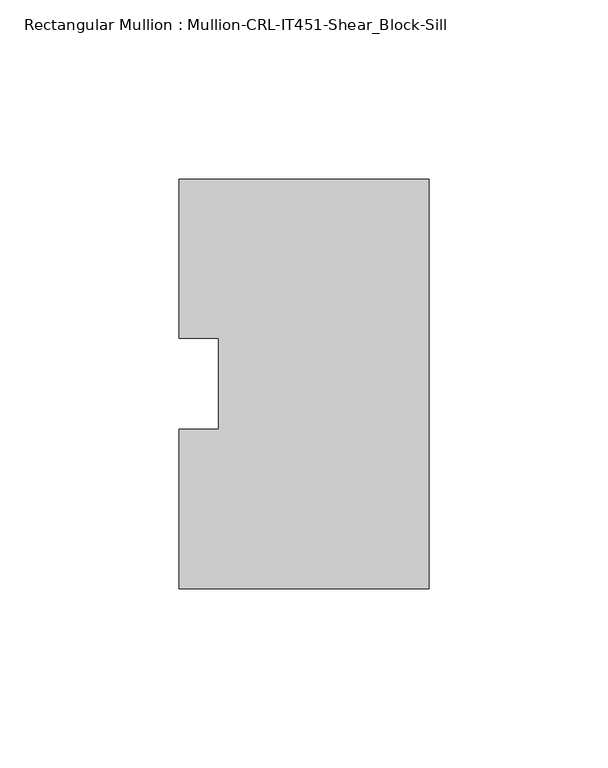
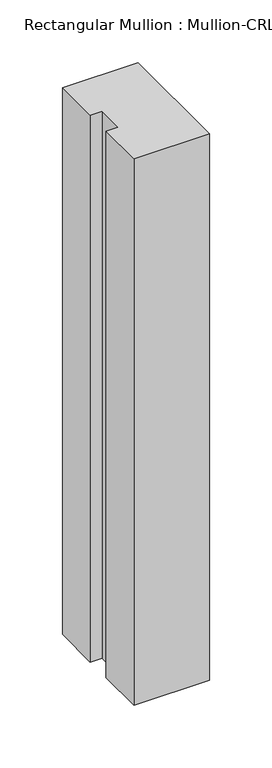
"""IFC4 building model written with IfcOpenShell, lengths in millimetres: member geometry, Rectangular Mullion : Mullion-CRL-IT451-Shear_Block-Sill."""

from ifc_helpers import new_model, si_unit, frame, origin, place, context, project, spatial, polyline, outline, extrude, source, transform, mapped, element, save


def rectangular_mullion_mullion_crl_it451_shear_block_sill_aa2251c3(model_context):
    return source(origin(), model_context, "Body", "SweptSolid", [
        extrude(outline(polyline([(0.0, -57.1500171), (-69.85, -57.1500171), (-69.85, -12.7000171), (-58.7375, -12.7000171), (-58.7375, 12.7000171), (-69.85, 12.7000171), (-69.85, 57.1499829), (0.0, 57.1499829), (0.0, -57.1500171)])), frame((0.0, 0.0, -533.4), z_axis=(0.0, 0.0, 1.0), x_axis=(1.0, 0.0, 0.0)), (0.0, 0.0, 1.0), 533.4),
    ])


if __name__ == "__main__":
    model = new_model("IFC4")
    model_context = context("Model", 3, world=origin())
    ifc_project = project(units=[si_unit("LENGTHUNIT", "METRE", prefix="MILLI")], contexts=[model_context])
    site = spatial("IfcSite", under=ifc_project)
    building = spatial("IfcBuilding", under=site)
    placement = place(None, origin())
    rectangular_mullion_mullion_crl_it451_shear_block_sill_shape = rectangular_mullion_mullion_crl_it451_shear_block_sill_aa2251c3(model_context)
    element("IfcMember", 1, ObjectType="Rectangular Mullion : Mullion-CRL-IT451-Shear_Block-Sill", at=placement, inside=building, context=model_context, shape_type="MappedRepresentation", body=[
        mapped(rectangular_mullion_mullion_crl_it451_shear_block_sill_shape, transform((0.0, 0.0, 0.0), x_axis=(1.0, 0.0, 0.0), y_axis=(0.0, 1.0, 0.0), z_axis=(0.0, 0.0, 1.0))),
    ])
    save(model, "model.ifc")
